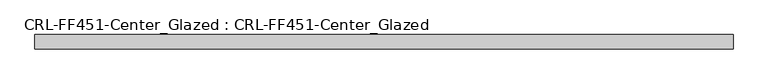
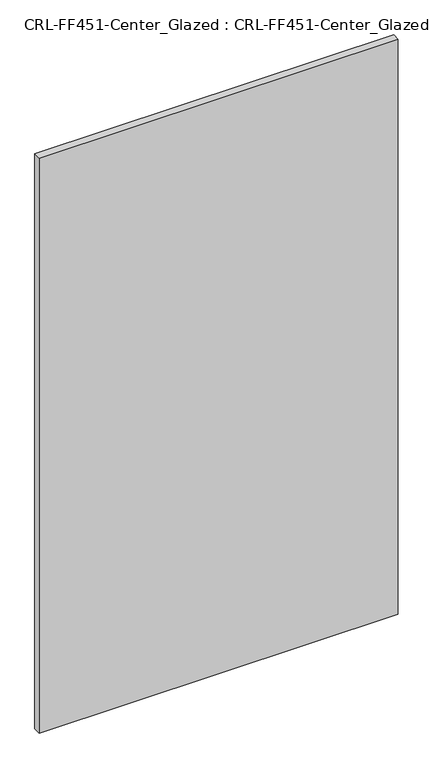
"""IFC4 building model written with IfcOpenShell, lengths in millimetres: plate geometry, CRL-FF451-Center_Glazed : CRL-FF451-Center_Glazed."""

from ifc_helpers import new_model, si_unit, origin, origin_with_axes, place, context, project, spatial, polyline, outline, extrude, source, transform, mapped, element, save


def crl_ff451_center_glazed_crl_ff451_center_glazed_96dfa36b(model_context):
    return source(origin(), model_context, "Body", "SweptSolid", [
        extrude(outline(polyline([(-624.9392041, -12.709956), (-624.9392041, 12.709956), (624.9392041, 12.709956), (624.9392041, -12.709956), (-624.9392041, -12.709956)])), origin_with_axes(), (0.0, 0.0, 1.0), 2115.3459841),
    ])


if __name__ == "__main__":
    model = new_model("IFC4")
    model_context = context("Model", 3, world=origin())
    ifc_project = project(units=[si_unit("LENGTHUNIT", "METRE", prefix="MILLI")], contexts=[model_context])
    site = spatial("IfcSite", under=ifc_project)
    building = spatial("IfcBuilding", under=site)
    placement = place(None, origin())
    crl_ff451_center_glazed_crl_ff451_center_glazed_shape = crl_ff451_center_glazed_crl_ff451_center_glazed_96dfa36b(model_context)
    element("IfcPlate", 1, ObjectType="CRL-FF451-Center_Glazed : CRL-FF451-Center_Glazed", at=placement, inside=building, context=model_context, shape_type="MappedRepresentation", body=[
        mapped(crl_ff451_center_glazed_crl_ff451_center_glazed_shape, transform((0.0, 0.0, 0.0), x_axis=(1.0, 0.0, 0.0), y_axis=(0.0, 1.0, 0.0), z_axis=(0.0, 0.0, 1.0))),
    ])
    save(model, "model.ifc")
